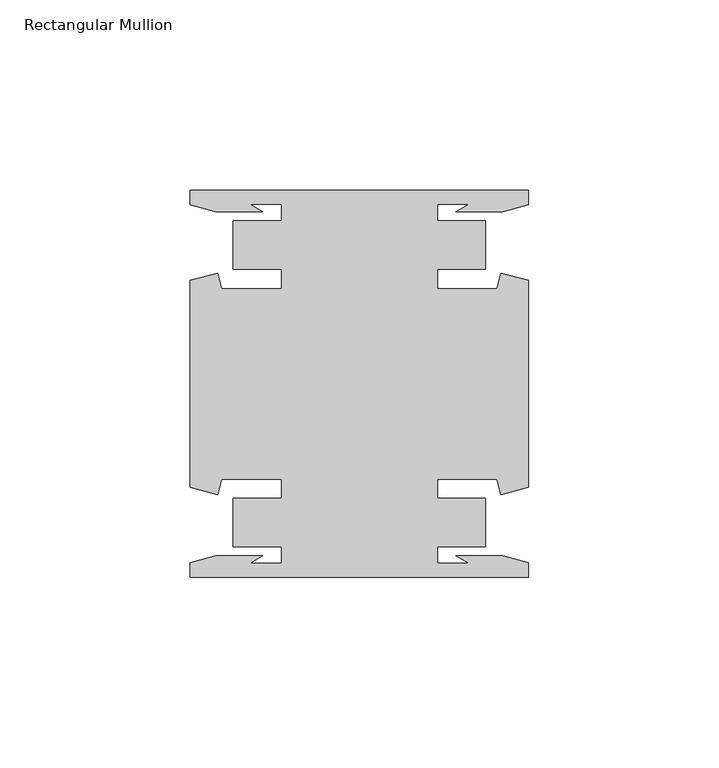
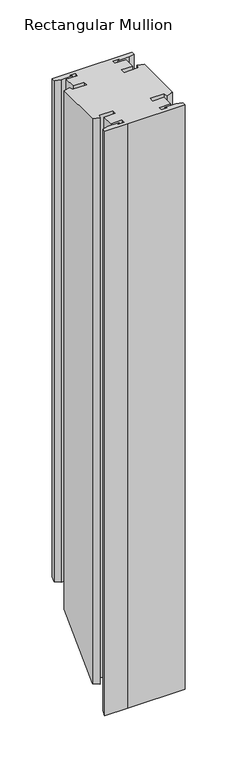
"""IFC4 building model written with IfcOpenShell, lengths in millimetres: member geometry, Rectangular Mullion."""

from ifc_helpers import new_model, si_unit, origin, place, context, project, spatial, faceted_brep, source, transform, mapped, element, save


def rectangular_mullion_80c983c5(model_context):
    return source(origin(), model_context, "Body", "Brep", [
        faceted_brep([(44.45, 50.7954622, 0.0), (-19.05, 50.7954622, 0.0), (-44.45, 50.7954622, 0.0), (-44.45, 46.9998463, 0.0), (-37.7613002, 45.2076146, 0.0), (-25.4334869, 45.2076146, 0.0), (-28.7505662, 47.1227313, 0.0), (-20.4638425, 47.1227313, 0.0), (-20.4638425, 42.8128906, 0.0), (-33.1638425, 42.8128906, 0.0), (-33.1638425, 30.1128906, 0.0), (-20.4638425, 30.1128906, 0.0), (-20.4638425, 25.0120132, 0.0), (-36.1594033, 25.0120132, 0.0), (-37.2517212, 29.0885993, 0.0), (-44.45, 27.1598263, 0.0), (-44.45, -27.1598263, 0.0), (-37.2517212, -29.0885993, 0.0), (-36.1594033, -25.0120132, 0.0), (-20.4638425, -25.0120132, 0.0), (-20.4638425, -30.1128906, 0.0), (-33.1638425, -30.1128906, 0.0), (-33.1638425, -42.8128906, 0.0), (-20.4638425, -42.8128906, 0.0), (-20.4638425, -47.1227313, 0.0), (-28.7505662, -47.1227313, 0.0), (-25.4334869, -45.2076146, 0.0), (-37.7613002, -45.2076146, 0.0), (-44.45, -46.9998463, 0.0), (-44.45, -50.7954622, 0.0), (-19.05, -50.7954622, 0.0), (44.45, -50.7954622, 0.0), (44.45, -46.9998463, 0.0), (37.7613002, -45.2076146, 0.0), (25.4334869, -45.2076146, 0.0), (28.7505662, -47.1227313, 0.0), (20.4638425, -47.1227313, 0.0), (20.4638425, -42.8128906, 0.0), (33.1638425, -42.8128906, 0.0), (33.1638425, -30.1128906, 0.0), (20.4638425, -30.1128906, 0.0), (20.4638425, -25.0120132, 0.0), (36.1594033, -25.0120132, 0.0), (37.2517212, -29.0885993, 0.0), (44.45, -27.1598263, 0.0), (44.45, 27.1598263, 0.0), (37.2517212, 29.0885993, 0.0), (36.1594033, 25.0120132, 0.0), (20.4638425, 25.0120132, 0.0), (20.4638425, 30.1128906, 0.0), (33.1638425, 30.1128906, 0.0), (33.1638425, 42.8128906, 0.0), (20.4638425, 42.8128906, 0.0), (20.4638425, 47.1227313, 0.0), (28.7505662, 47.1227313, 0.0), (25.4334869, 45.2076146, 0.0), (37.7613002, 45.2076146, 0.0), (44.45, 46.9998463, 0.0), (44.45, 50.7954622, -583.8045378), (-19.05, 50.7954622, -583.8045378), (-44.45, 50.7954622, -583.8045378), (-44.45, 46.9998463, -587.6001537), (-37.7613002, 45.2076146, -589.3923854), (-25.4334869, 45.2076146, -589.3923854), (-28.7505662, 47.1227313, -587.4772687), (-20.4638425, 47.1227313, -587.4772687), (-20.4638425, 42.8128906, -591.7871094), (-33.1638425, 42.8128906, -591.7871094), (-33.1638425, 30.1128906, -604.4871094), (-20.4638425, 30.1128906, -604.4871094), (-20.4638425, 25.0120132, -609.5879868), (-36.1594033, 25.0120132, -609.5879868), (-37.2517212, 29.0885993, -605.5114007), (-44.45, 27.1598263, -607.4401737), (-44.45, -27.1598263, -661.7598263), (-37.2517212, -29.0885993, -663.6885993), (-36.1594033, -25.0120132, -659.6120132), (-20.4638425, -25.0120132, -659.6120132), (-20.4638425, -30.1128906, -664.7128906), (-33.1638425, -30.1128906, -664.7128906), (-33.1638425, -42.8128906, -677.4128906), (-20.4638425, -42.8128906, -677.4128906), (-20.4638425, -47.1227313, -681.7227313), (-28.7505662, -47.1227313, -681.7227313), (-25.4334869, -45.2076146, -679.8076146), (-37.7613002, -45.2076146, -679.8076146), (-44.45, -46.9998463, -681.5998463), (-44.45, -50.7954622, -685.3954622), (-19.05, -50.7954622, -685.3954622), (44.45, -50.7954622, -685.3954622), (44.45, -46.9998463, -681.5998463), (37.7613002, -45.2076146, -679.8076146), (25.4334869, -45.2076146, -679.8076146), (28.7505662, -47.1227313, -681.7227313), (20.4638425, -47.1227313, -681.7227313), (20.4638425, -42.8128906, -677.4128906), (33.1638425, -42.8128906, -677.4128906), (33.1638425, -30.1128906, -664.7128906), (20.4638425, -30.1128906, -664.7128906), (20.4638425, -25.0120132, -659.6120132), (36.1594033, -25.0120132, -659.6120132), (37.2517212, -29.0885993, -663.6885993), (44.45, -27.1598263, -661.7598263), (44.45, 27.1598263, -607.4401737), (37.2517212, 29.0885993, -605.5114007), (36.1594033, 25.0120132, -609.5879868), (20.4638425, 25.0120132, -609.5879868), (20.4638425, 30.1128906, -604.4871094), (33.1638425, 30.1128906, -604.4871094), (33.1638425, 42.8128906, -591.7871094), (20.4638425, 42.8128906, -591.7871094), (20.4638425, 47.1227313, -587.4772687), (28.7505662, 47.1227313, -587.4772687), (25.4334869, 45.2076146, -589.3923854), (37.7613002, 45.2076146, -589.3923854), (44.45, 46.9998463, -587.6001537)], [[[0, 1, 2, 3, 4, 5, 6, 7, 8, 9, 10, 11, 12, 13, 14, 15, 16, 17, 18, 19, 20, 21, 22, 23, 24, 25, 26, 27, 28, 29, 30, 31, 32, 33, 34, 35, 36, 37, 38, 39, 40, 41, 42, 43, 44, 45, 46, 47, 48, 49, 50, 51, 52, 53, 54, 55, 56, 57]], [[1, 0, 58, 59]], [[2, 1, 59, 60]], [[3, 2, 60, 61]], [[4, 3, 61, 62]], [[5, 4, 62, 63]], [[6, 5, 63, 64]], [[7, 6, 64, 65]], [[8, 7, 65, 66]], [[9, 8, 66, 67]], [[10, 9, 67, 68]], [[11, 10, 68, 69]], [[12, 11, 69, 70]], [[13, 12, 70, 71]], [[14, 13, 71, 72]], [[15, 14, 72, 73]], [[16, 15, 73, 74]], [[17, 16, 74, 75]], [[18, 17, 75, 76]], [[19, 18, 76, 77]], [[20, 19, 77, 78]], [[21, 20, 78, 79]], [[22, 21, 79, 80]], [[23, 22, 80, 81]], [[24, 23, 81, 82]], [[25, 24, 82, 83]], [[26, 25, 83, 84]], [[27, 26, 84, 85]], [[28, 27, 85, 86]], [[29, 28, 86, 87]], [[30, 29, 87, 88]], [[31, 30, 88, 89]], [[32, 31, 89, 90]], [[33, 32, 90, 91]], [[34, 33, 91, 92]], [[35, 34, 92, 93]], [[36, 35, 93, 94]], [[37, 36, 94, 95]], [[38, 37, 95, 96]], [[39, 38, 96, 97]], [[40, 39, 97, 98]], [[41, 40, 98, 99]], [[42, 41, 99, 100]], [[43, 42, 100, 101]], [[44, 43, 101, 102]], [[45, 44, 102, 103]], [[46, 45, 103, 104]], [[47, 46, 104, 105]], [[48, 47, 105, 106]], [[49, 48, 106, 107]], [[50, 49, 107, 108]], [[51, 50, 108, 109]], [[52, 51, 109, 110]], [[53, 52, 110, 111]], [[54, 53, 111, 112]], [[55, 54, 112, 113]], [[56, 55, 113, 114]], [[57, 56, 114, 115]], [[0, 57, 115, 58]], [[58, 115, 114, 113, 112, 111, 110, 109, 108, 107, 106, 105, 104, 103, 102, 101, 100, 99, 98, 97, 96, 95, 94, 93, 92, 91, 90, 89, 88, 87, 86, 85, 84, 83, 82, 81, 80, 79, 78, 77, 76, 75, 74, 73, 72, 71, 70, 69, 68, 67, 66, 65, 64, 63, 62, 61, 60, 59]]]),
    ])


if __name__ == "__main__":
    model = new_model("IFC4")
    model_context = context("Model", 3, world=origin())
    ifc_project = project(units=[si_unit("LENGTHUNIT", "METRE", prefix="MILLI")], contexts=[model_context])
    site = spatial("IfcSite", under=ifc_project)
    building = spatial("IfcBuilding", under=site)
    placement = place(None, origin())
    rectangular_mullion_shape = rectangular_mullion_80c983c5(model_context)
    element("IfcMember", 1, ObjectType="Rectangular Mullion", at=placement, inside=building, context=model_context, shape_type="MappedRepresentation", body=[
        mapped(rectangular_mullion_shape, transform((0.0, 0.0, 0.0), x_axis=(1.0, 0.0, 0.0), y_axis=(0.0, 1.0, 0.0), z_axis=(0.0, 0.0, 1.0))),
    ])
    save(model, "model.ifc")
